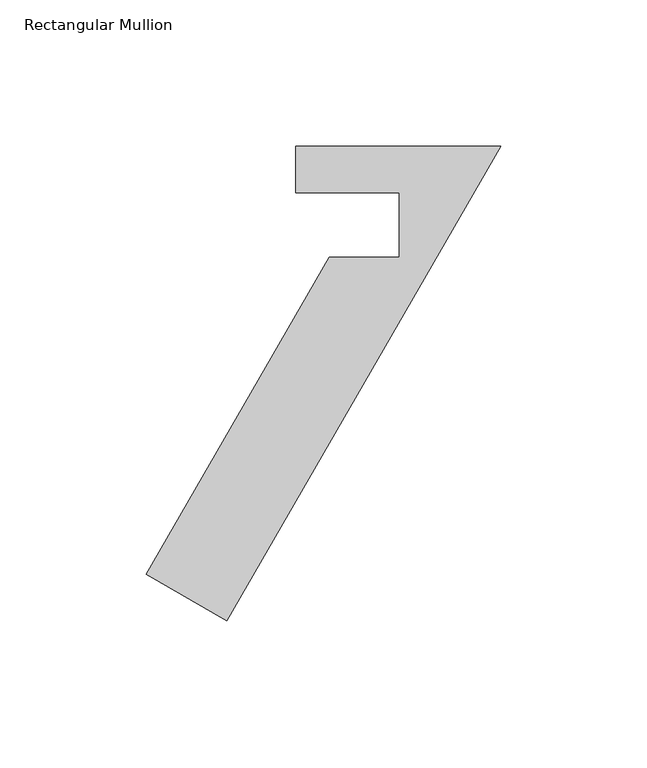
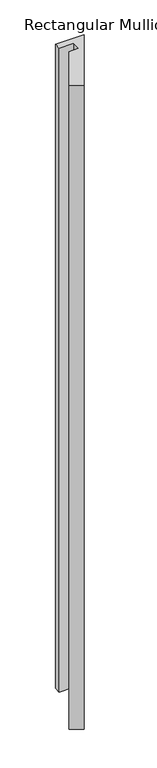
"""IFC4 building model written with IfcOpenShell, lengths in millimetres: member geometry, Rectangular Mullion."""

from ifc_helpers import new_model, si_unit, frame, origin, place, context, project, spatial, polyline, outline, extrude, source, transform, mapped, element, save


def rectangular_mullion_91b93beb(model_context):
    return source(origin(), model_context, "Body", "SweptSolid", [
        extrude(outline(polyline([(-121.172667, -146.40222), (-58.5870671, -38.0007812), (-34.7077158, -38.0007813), (-34.7077158, -15.8879359), (-70.0057977, -15.8879359), (-70.0085527, -0.0182927), (0.0, -0.0250044), (-93.6763604, -162.27722), (-121.172667, -146.40222)])), frame((0.0, 0.0, -1676.4), z_axis=(0.0, 0.0, 1.0), x_axis=(1.0, 0.0, 0.0)), (0.0, 0.0, 1.0), 1676.4),
    ])


if __name__ == "__main__":
    model = new_model("IFC4")
    model_context = context("Model", 3, world=origin())
    ifc_project = project(units=[si_unit("LENGTHUNIT", "METRE", prefix="MILLI")], contexts=[model_context])
    site = spatial("IfcSite", under=ifc_project)
    building = spatial("IfcBuilding", under=site)
    placement = place(None, origin())
    rectangular_mullion_shape = rectangular_mullion_91b93beb(model_context)
    element("IfcMember", 1, ObjectType="Rectangular Mullion", at=placement, inside=building, context=model_context, shape_type="MappedRepresentation", body=[
        mapped(rectangular_mullion_shape, transform((0.0, 0.0, 0.0), x_axis=(1.0, 0.0, 0.0), y_axis=(0.0, 1.0, 0.0), z_axis=(0.0, 0.0, 1.0))),
    ])
    save(model, "model.ifc")
